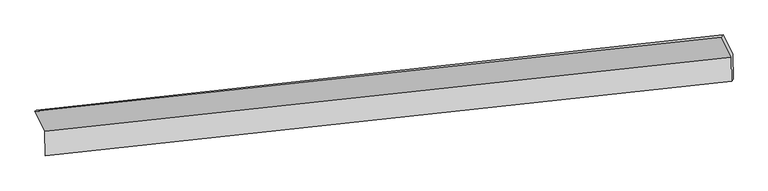
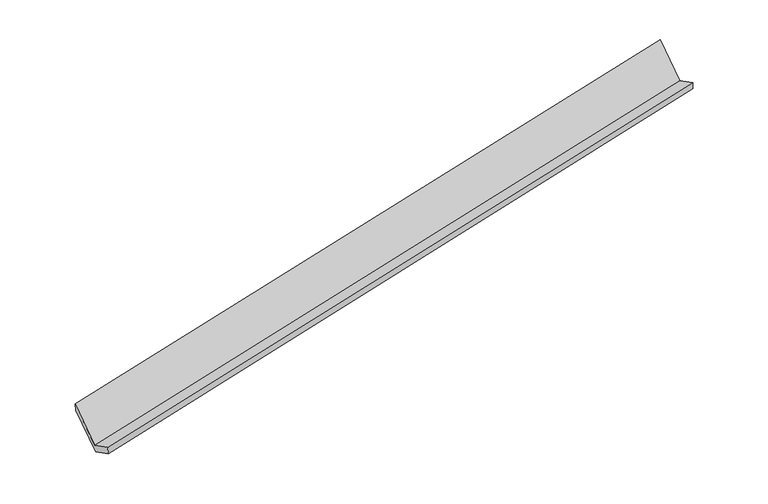
"""IFC4 building model written with IfcOpenShell, lengths in millimetres: proxy geometry."""

from ifc_helpers import new_model, si_unit, frame, origin, place, context, project, spatial, source, transform, mapped, element, save
from ifc_brep_helpers import plane_surface, spline_surface, advanced_brep


def generic_models_d11cc5f3(model_context):
    return source(origin(), model_context, "Body", "AdvancedBrep", [
        advanced_brep(
        [(-8500.994958, -2110.9668468, 569.2690471), (-8498.4641027, -2514.6529806, 776.1979536), (2862.8985579, -1282.2743746, 3074.3049941), (2860.3955976, -883.0376599, 2869.6568532), (-8469.8873159, -2489.7066213, 620.1903658), (2889.2217438, -1248.4424685, 2924.698058), (-8472.3526321, -2096.4743666, 418.6201021), (2886.6448475, -837.4125374, 2714.0047321), (-8640.9812032, -1760.375193, 1076.3597714), (2724.6933938, -514.6217468, 3345.7001497), (-8667.3978233, -1779.3038009, 1218.3272993), (2693.9927323, -551.374614, 3518.7151053)],
        [
            (0, 1),
            (1, 2),
            (2, 3),
            (3, 0),
            (1, 4),
            (4, 5),
            (5, 2),
            (4, 6),
            (6, 7),
            (7, 5),
            (6, 8),
            (8, 9),
            (9, 7),
            (8, 10),
            (10, 11),
            (11, 9),
            (10, 0),
            (3, 11),
        ],
        [
            plane_surface(frame((-8499.7295303, -2312.8099137, 672.7335003), z_axis=(-0.22366407017175274, 0.443493164718849, 0.8679217686876308), x_axis=(0.005579005632601229, -0.8898838205142318, 0.45615311100895284))),
            spline_surface(1, 1, [[(-8498.4641027, -2514.6529806, 776.1979536), (2862.8985579, -1282.2743746, 3074.3049941)], [(-8469.8873159, -2489.7066213, 620.1903658), (2889.2217438, -1248.4424685, 2924.698058)]], [2, 2], [2, 2], [0.0, 1.0], [0.0, 1.0]),
            plane_surface(frame((-8471.119974, -2293.090494, 519.4052339), z_axis=(0.2245001097531958, -0.4434013235131812, -0.8677528259980273), x_axis=(-0.005579005632608128, 0.8898838205142316, -0.45615311100895295))),
            plane_surface(frame((-8556.6669176, -1928.4247798, 747.4899368), z_axis=(-0.006415342036337715, 0.8897922416985998, -0.45632073150311425), x_axis=(-0.2225705775763743, 0.44361276810562833, 0.8681417222844328))),
            spline_surface(1, 1, [[(-8640.9812032, -1760.375193, 1076.3597714), (2724.6933938, -514.6217468, 3345.7001497)], [(-8667.3978233, -1779.3038009, 1218.3272993), (2693.9927323, -551.374614, 3518.7151053)]], [2, 2], [2, 2], [0.0, 1.0], [0.0, 1.0]),
            plane_surface(frame((-8584.1963906, -1945.1353238, 893.7981732), z_axis=(0.003906322353993463, -0.8900650132379192, 0.455816863285519), x_axis=(0.222570577576358, -0.443612768105634, -0.8681417222844341))),
            plane_surface(frame((2819.6411455, -886.1939002, 3074.5133154), z_axis=(0.974900616828952, 0.10636962893958707, 0.19558703777547112), x_axis=(-0.1710151429899147, -0.20472838442972927, 0.9637635132525676))),
            plane_surface(frame((-8541.6796725, -2125.2466349, 779.8274232), z_axis=(-0.9749006168289488, -0.10636962893980362, -0.1955870377753693), x_axis=(-0.22257057757636636, 0.44361276810566225, 0.8681417222844175))),
        ],
        [
            (0, [[1, 2, 3, 4]]),
            (1, [[5, 6, 7, -2]]),
            (2, [[8, 9, 10, -6]]),
            (3, [[11, 12, 13, -9]]),
            (4, [[14, 15, 16, -12]]),
            (5, [[17, -4, 18, -15]]),
            (6, [[-16, -18, -3, -7, -10, -13]]),
            (7, [[-17, -14, -11, -8, -5, -1]]),
        ],
    ),
    ])


if __name__ == "__main__":
    model = new_model("IFC4")
    model_context = context("Model", 3, world=origin())
    ifc_project = project(units=[si_unit("LENGTHUNIT", "METRE", prefix="MILLI")], contexts=[model_context])
    site = spatial("IfcSite", under=ifc_project)
    building = spatial("IfcBuilding", under=site)
    placement = place(None, origin())
    generic_models_shape = generic_models_d11cc5f3(model_context)
    element("IfcBuildingElementProxy", 1, Name="Generic Models", at=placement, inside=building, context=model_context, shape_type="MappedRepresentation", body=[
        mapped(generic_models_shape, transform((0.0, 0.0, 0.0), x_axis=(1.0, 0.0, 0.0), y_axis=(0.0, 1.0, 0.0), z_axis=(0.0, 0.0, 1.0))),
    ])
    save(model, "model.ifc")
